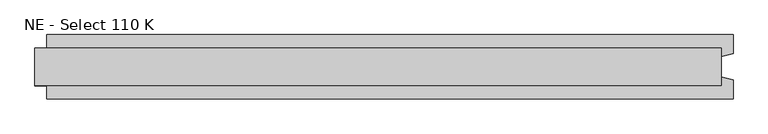
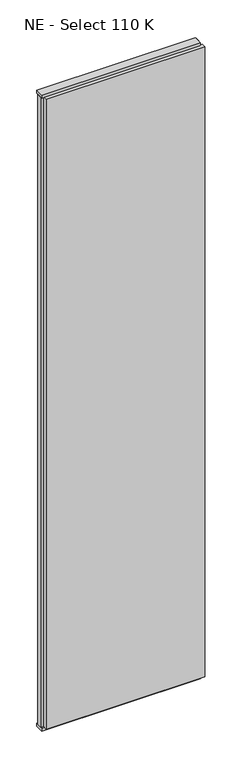
"""IFC4 building model written with IfcOpenShell, lengths in millimetres: plate geometry, NE - Select 110 K."""

from ifc_helpers import new_model, si_unit, frame, origin, origin_with_axes, place, context, project, spatial, polyline, outline, extrude, source, transform, mapped, element, save


def ne_select_110_k_e25fd259(model_context):
    return source(origin(), model_context, "Body", "SweptSolid", [
        extrude(outline(polyline([(609.0, 55.0), (609.0, 22.9993165), (589.0, 17.6401049), (589.0, -17.6401049), (609.0, -22.9993165), (609.0, -55.0), (-569.0, -55.0), (-569.0, -22.9993165), (-589.0, -17.6401049), (-589.0, 17.6401049), (-569.0, 22.9993165), (-569.0, 55.0), (609.0, 55.0)])), frame((0.0, 0.0, 25.0), z_axis=(0.0, 0.0, 1.0), x_axis=(1.0, 0.0, 0.0)), (0.0, 0.0, 1.0), 4950.0),
        extrude(outline(polyline([(589.0, 32.0), (589.0, -32.0), (-589.0, -32.0), (-589.0, 32.0), (589.0, 32.0)])), origin_with_axes(), (0.0, 0.0, 1.0), 25.0),
        extrude(outline(polyline([(589.0, 32.0), (589.0, -32.0), (-589.0, -32.0), (-589.0, 32.0), (589.0, 32.0)])), frame((0.0, 0.0, 4975.0), z_axis=(0.0, 0.0, 1.0), x_axis=(1.0, 0.0, 0.0)), (0.0, 0.0, 1.0), 25.0),
    ])


if __name__ == "__main__":
    model = new_model("IFC4")
    model_context = context("Model", 3, world=origin())
    ifc_project = project(units=[si_unit("LENGTHUNIT", "METRE", prefix="MILLI")], contexts=[model_context])
    site = spatial("IfcSite", under=ifc_project)
    building = spatial("IfcBuilding", under=site)
    placement = place(None, origin())
    ne_select_110_k_shape = ne_select_110_k_e25fd259(model_context)
    element("IfcPlate", 1, ObjectType="NE - Select 110 K", at=placement, inside=building, context=model_context, shape_type="MappedRepresentation", body=[
        mapped(ne_select_110_k_shape, transform((0.0, 0.0, 0.0), x_axis=(1.0, 0.0, 0.0), y_axis=(0.0, 1.0, 0.0), z_axis=(0.0, 0.0, 1.0))),
    ])
    save(model, "model.ifc")
